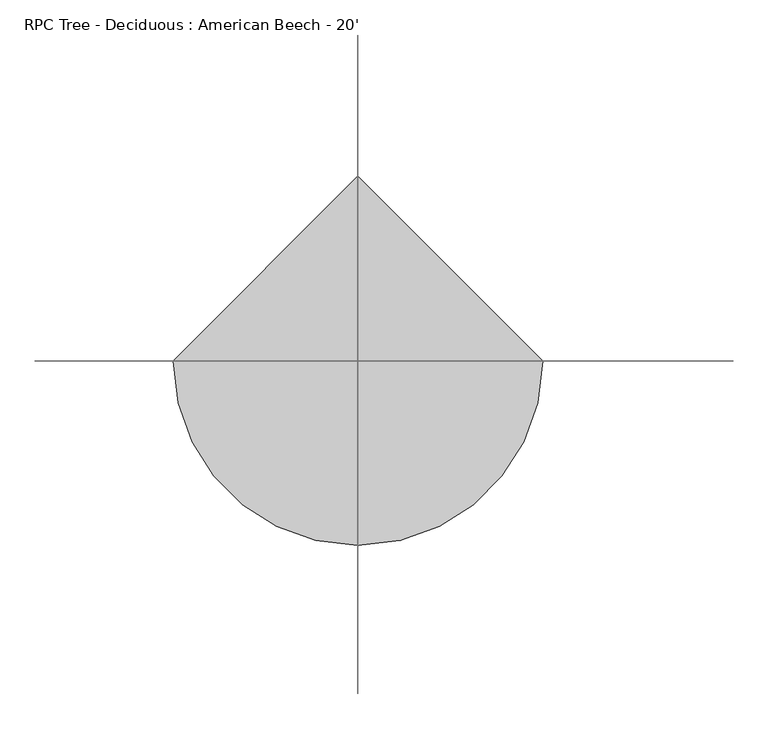
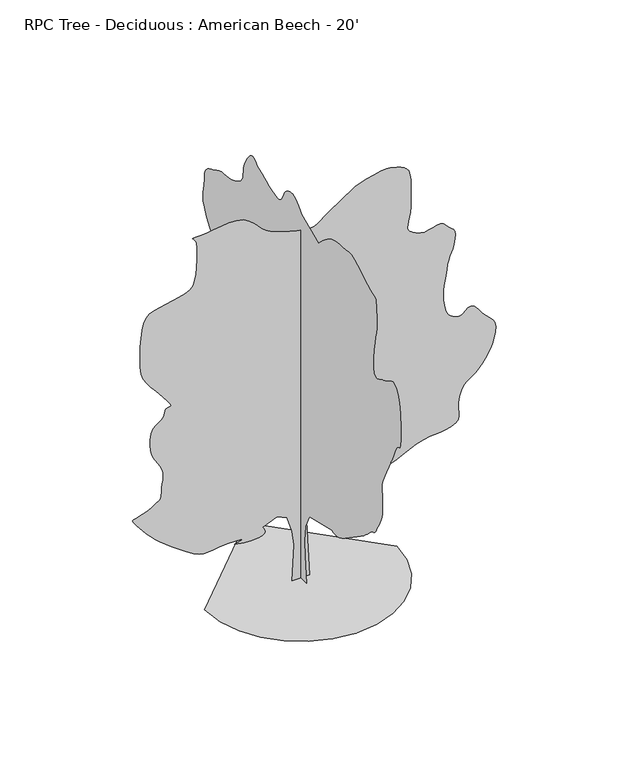
"""IFC4 building model written with IfcOpenShell, lengths in millimetres: geographic element geometry, RPC Tree - Deciduous : American Beech - 20'."""

from ifc_helpers import new_model, si_unit, origin, place, context, project, spatial, triangles, source, transform, mapped, element, save


def rpc_tree_deciduous_american_beech_20_b3c041c8(model_context):
    return source(origin(), model_context, "Body", "Tessellation", [
        triangles([(0.0009889, 136.856581, 0.0), (0.0009889, -149.8547884, 0.0), (0.0009889, -111.6264895, 420.510052), (0.0009889, -102.0697236, 659.4353302), (0.0009889, -121.1832463, 898.3606447), (0.0009889, -235.8678885, 1118.172373), (0.0009889, -818.8458761, 1261.5275036), (0.0009889, -849.9431059, 1249.7139805), (0.0009889, -883.2933231, 1240.7427258), (0.0009889, -921.1596891, 1237.4533916), (0.0009889, -965.7976622, 1242.6934788), (0.0009889, -1019.4603024, 1259.3000233), (0.0009889, -1084.4081549, 1290.1152935), (0.0009889, -1162.8992941, 1337.984174), (0.0009889, -1478.2811337, 1557.7959023), (0.0009889, -1522.8632961, 1589.1420994), (0.0009889, -1566.942437, 1618.9819931), (0.0009889, -1611.1893002, 1649.3249084), (0.0009889, -1656.2718681, 1682.1772636), (0.0009889, -1702.8579781, 1719.5406807), (0.0009889, -1751.6183739, 1763.4243393), (0.0009889, -1803.2210381, 1815.834803), (0.0009889, -1847.9404015, 1858.0191467), (0.0009889, -1878.9512993, 1877.1351311), (0.0009889, -1901.2702858, 1884.0440117), (0.0009889, -1919.9112991, 1889.616782), (0.0009889, -1939.8884228, 1904.7196392), (0.0009889, -1966.2180656, 1940.2161644), (0.0009889, -2003.916782, 2006.9774963), (0.0009889, -2044.9607883, 2083.2080177), (0.0009889, -2078.313549, 2145.2324295), (0.0009889, -2104.4754696, 2201.0692829), (0.0009889, -2123.9521877, 2258.7475937), (0.0009889, -2137.244109, 2326.2862038), (0.0009889, -2144.8488773, 2411.7141289), (0.0009889, -2147.2746014, 2523.0550072), (0.0009889, -2142.5373905, 2624.8889076), (0.0009889, -2132.7863869, 2688.2873634), (0.0009889, -2124.7040314, 2730.9338882), (0.0009889, -2124.9835201, 2770.583503), (0.0009889, -2140.3072941, 2824.9394875), (0.0009889, -2177.3659332, 2911.7568626), (0.0009889, -2242.84464, 3048.6883301), (0.0009889, -2308.7119858, 3181.9621719), (0.0009889, -2348.5011269, 3259.3812836), (0.0009889, -2371.2366577, 3301.215358), (0.0009889, -2385.9484051, 3327.6567673), (0.0009889, -2401.6632889, 3358.9496246), (0.0009889, -2427.4088104, 3415.3121727), (0.0009889, -2472.2118896, 3516.9885246), (0.0009889, -2522.8114174, 3609.6476944), (0.0009889, -2561.0332123, 3645.1568642), (0.0009889, -2588.5669968, 3652.9040657), (0.0009889, -2607.0580193, 3662.3273277), (0.0009889, -2618.2087921, 3702.8402618), (0.0009889, -2623.669796, 3803.856189), (0.0009889, -2625.117382, 3994.8390083), (0.0009889, -2615.3639076, 4210.713913), (0.0009889, -2589.2271309, 4371.4450905), (0.0009889, -2551.406765, 4483.8402649), (0.0009889, -2506.5400269, 4554.7824463), (0.0009889, -2459.3391289, 4591.1043571), (0.0009889, -2414.4802391, 4599.6895889), (0.0009889, -2376.641851, 4587.3705734), (0.0009889, -2343.8477772, 4566.9491455), (0.0009889, -2310.8862717, 4546.8576393), (0.0009889, -2277.5893215, 4527.4521378), (0.0009889, -2243.7921112, 4509.0116936), (0.0009889, -2209.3243023, 4491.9426773), (0.0009889, -2174.0232594, 4476.5250137), (0.0009889, -2137.7164639, 4463.1392029), (0.0009889, -2096.4236355, 4443.6572525), (0.0009889, -2049.6139927, 4418.4858238), (0.0009889, -2002.3013283, 4400.6805153), (0.0009889, -1959.504958, 4403.2713455), (0.0009889, -1926.2359131, 4439.313913), (0.0009889, -1907.5110386, 4521.8132378), (0.0009889, -1908.3467434, 4663.8246277), (0.0009889, -1923.6450829, 4819.4253044), (0.0009889, -1942.954224, 4940.7356323), (0.0009889, -1963.266647, 5037.9669067), (0.0009889, -1981.572361, 5121.3298416), (0.0009889, -1994.8642822, 5201.0354416), (0.0009889, -2000.1296585, 5287.2429703), (0.0009889, -1994.3614059, 5390.1634323), (0.0009889, -1986.3653824, 5488.9190323), (0.0009889, -1983.048143, 5559.911792), (0.0009889, -1978.5625156, 5609.3407516), (0.0009889, -1967.0562412, 5643.3764648), (0.0009889, -1942.6748806, 5668.2429703), (0.0009889, -1899.5709709, 5690.0869858), (0.0009889, -1831.8926891, 5715.1063889), (0.0009889, -1748.4408062, 5751.9616974), (0.0009889, -1662.820015, 5800.5261749), (0.0009889, -1576.3582867, 5853.7903656), (0.0009889, -1490.4020508, 5904.6919098), (0.0009889, -1406.2848015, 5946.2207703), (0.0009889, -1325.3426491, 5971.3924896), (0.0009889, -1248.913884, 5973.1447083), (0.0009889, -1174.2403896, 5963.3406555), (0.0009889, -1098.5636135, 5956.711409), (0.0009889, -1023.222064, 5950.5641098), (0.0009889, -949.5518515, 5942.2588028), (0.0009889, -878.8914843, 5929.1264648), (0.0009889, -812.5771454, 5908.4509827), (0.0009889, -751.9472706, 5877.5644958), (0.0009889, -697.9494038, 5841.2678741), (0.0009889, -649.9687569, 5805.9618896), (0.0009889, -607.0045916, 5771.4942261), (0.0009889, -568.0511189, 5737.7119858), (0.0009889, -532.1075644, 5704.4128555), (0.0009889, -498.1706097, 5671.4433563), (0.0009889, -465.2369368, 5638.6523346), (0.0009889, -16.056217, 5829.7871796), (0.0009889, 22.8405617, 5872.4339951), (0.0009889, 61.6537222, 5913.023378), (0.0009889, 100.2998553, 5949.3961578), (0.0009889, 138.6950317, 5979.5204819), (0.0009889, 176.7559443, 6001.2883392), (0.0009889, 214.3990318, 6012.5911377), (0.0009889, 251.5404602, 6011.3720261), (0.0009889, 287.2056524, 6002.4312927), (0.0009889, 320.3628219, 5991.305809), (0.0009889, 350.8454089, 5977.0055191), (0.0009889, 378.4856913, 5958.5397858), (0.0009889, 403.1160919, 5934.892392), (0.0009889, 424.5689612, 5905.047702), (0.0009889, 442.6817001, 5868.0144974), (0.0009889, 459.9562634, 5826.9425858), (0.0009889, 480.2407084, 5787.547316), (0.0009889, 505.3740581, 5752.6727005), (0.0009889, 537.1926464, 5725.138916), (0.0009889, 577.5380399, 5707.7911377), (0.0009889, 628.2491524, 5703.5239563), (0.0009889, 691.1650068, 5715.1063889), (0.0009889, 759.6790661, 5736.9754028), (0.0009889, 826.1890326, 5761.3593796), (0.0009889, 891.0251186, 5787.8263687), (0.0009889, 954.5251671, 5815.9694183), (0.0009889, 1017.0218611, 5845.3577408), (0.0009889, 1078.8506453, 5875.5832214), (0.0009889, 1140.3440575, 5906.2412338), (0.0009889, 1169.0715191, 5932.3524307), (0.0009889, 1198.1316639, 5955.3649796), (0.0009889, 1227.8624073, 5972.2052307), (0.0009889, 1258.5938164, 5979.7489563), (0.0009889, 1290.6664227, 5974.9230881), (0.0009889, 1324.4078224, 5954.6539764), (0.0009889, 1360.1557858, 5915.7918137), (0.0009889, 1395.1799561, 5868.217392), (0.0009889, 1426.1908539, 5822.9544571), (0.0009889, 1452.6880737, 5778.8856354), (0.0009889, 1474.1715008, 5734.7912338), (0.0009889, 1490.1379681, 5689.5538788), (0.0009889, 1500.0845993, 5641.9538773), (0.0009889, 1503.510989, 5590.8494385), (0.0009889, 1507.2168674, 5539.3380478), (0.0009889, 1519.1142517, 5491.1793594), (0.0009889, 1540.3740005, 5446.1704788), (0.0009889, 1572.1672634, 5404.1846695), (0.0009889, 1615.6596668, 5365.0428726), (0.0009889, 1672.0274471, 5328.5689362), (0.0009889, 1742.4363762, 5294.5832199), (0.0009889, 1817.5288857, 5269.1836075), (0.0009889, 1887.9378147, 5255.1373718), (0.0009889, 1954.8363476, 5247.4407486), (0.0009889, 2019.3956337, 5241.0911362), (0.0009889, 2082.7839157, 5231.0580276), (0.0009889, 2146.1721977, 5212.3382401), (0.0009889, 2210.7313385, 5179.9024292), (0.0009889, 2276.3498623, 5145.3580261), (0.0009889, 2340.1267834, 5118.8404587), (0.0009889, 2399.0573433, 5093.1356323), (0.0009889, 2450.1315514, 5061.106192), (0.0009889, 2490.3372368, 5015.5136261), (0.0009889, 2516.667025, 4949.193837), (0.0009889, 2526.1132507, 4854.9597633), (0.0009889, 2532.46577, 4758.008123), (0.0009889, 2546.5044479, 4681.9348595), (0.0009889, 2560.7285797, 4617.2411339), (0.0009889, 2567.5865913, 4554.3760757), (0.0009889, 2559.5600464, 4483.8402649), (0.0009889, 2529.1232414, 4396.0578323), (0.0009889, 2468.7702393, 4281.5543564), (0.0009889, 2394.0992157, 4166.6192207), (0.0009889, 2326.6139454, 4078.2525215), (0.0009889, 2267.6553349, 4007.9707649), (0.0009889, 2218.5596397, 3947.1884285), (0.0009889, 2180.6679119, 3887.4223091), (0.0009889, 2155.3111748, 3820.1377533), (0.0009889, 2143.8328056, 3736.8001076), (0.0009889, 2149.4334812, 3646.0204742), (0.0009889, 2171.0820145, 3561.7686401), (0.0009889, 2203.7667927, 3483.5112076), (0.0009889, 2242.4687908, 3410.790937), (0.0009889, 2282.1714546, 3343.1000107), (0.0009889, 2317.8662235, 3279.9047401), (0.0009889, 2344.5311657, 3220.7225967), (0.0009889, 2370.3577869, 3180.6921913), (0.0009889, 2402.5396889, 3164.8934464), (0.0009889, 2434.5538685, 3157.7813805), (0.0009889, 2459.8827003, 3143.8113029), (0.0009889, 2472.0037628, 3107.4638123), (0.0009889, 2464.3963783, 3033.1433487), (0.0009889, 2430.5432121, 2905.3305107), (0.0009889, 2383.9011463, 2761.3378464), (0.0009889, 2340.6017544, 2643.9136185), (0.0009889, 2298.1379219, 2545.7425758), (0.0009889, 2254.0028252, 2459.415287), (0.0009889, 2205.6894951, 2377.6095245), (0.0009889, 2150.6857304, 2292.9614937), (0.0009889, 2086.4897942, 2198.1177189), (0.0009889, 2022.098085, 2102.5196297), (0.0009889, 1968.0723129, 2019.6267242), (0.0009889, 1924.2446102, 1948.102747), (0.0009889, 1890.4447838, 1886.6067913), (0.0009889, 1866.5103436, 1833.8078339), (0.0009889, 1852.2735672, 1788.3620613), (0.0009889, 1847.564407, 1748.9361248), (0.0009889, 1851.5776794, 1721.8800728), (0.0009889, 1860.940044, 1709.2029396), (0.0009889, 1871.6386642, 1703.0459026), (0.0009889, 1879.6624477, 1695.5504299), (0.0009889, 1881.0010288, 1678.8600243), (0.0009889, 1871.6386642, 1645.1186245), (0.0009889, 1847.564407, 1586.4675533), (0.0009889, 1827.5314728, 1524.5828133), (0.0009889, 1825.3850922, 1482.2587978), (0.0009889, 1829.7590984, 1453.3104195), (0.0009889, 1829.2865982, 1431.547649), (0.0009889, 1812.5961926, 1410.7907764), (0.0009889, 1768.3214241, 1384.8497726), (0.0009889, 1685.0958355, 1347.5421661), (0.0009889, 1594.399918, 1309.4244347), (0.0009889, 1528.281134, 1282.5080544), (0.0009889, 1476.2059696, 1262.7823689), (0.0009889, 1427.6412014, 1246.2316349), (0.0009889, 1372.05317, 1228.8453415), (0.0009889, 1298.9138844, 1206.6102161), (0.0009889, 1197.6871416, 1175.5154572), (0.0009889, 1096.069289, 1145.7009253), (0.0009889, 1022.5387482, 1127.7557997), (0.0009889, 967.7331545, 1118.3400227), (0.0009889, 922.2874546, 1114.10329), (0.0009889, 876.8442255, 1111.7080873), (0.0009889, 822.0360884, 1107.806654), (0.0009889, 748.5055475, 1099.0588594), (0.0009889, 662.4935011, 1085.0990284), (0.0009889, 576.4788749, 1068.1292793), (0.0009889, 490.4667558, 1048.6551046), (0.0009889, 404.4521296, 1027.1717503), (0.0009889, 318.4400468, 1004.1847086), (0.0009889, 232.4266923, 980.1943851), (0.0009889, 146.4133378, 955.7037289), (136.1842383, 0.0003154, 0.014068), (-131.4120823, 0.0003154, 0.014068), (-102.7410489, 0.0002819, 563.8778998), (-131.4120823, 0.0002692, 793.2477293), (-207.8684348, 0.0002549, 1032.1729712), (-360.7819027, 0.0002501, 1108.6296415), (-580.5936673, 0.0002549, 1013.0594576), (-562.704425, 0.0002564, 988.5662579), (-548.0765751, 0.000258, 964.5784779), (-539.9688578, 0.0002596, 941.5914362), (-541.6401947, 0.0002612, 920.1080818), (-556.3518694, 0.0002628, 900.6313637), (-587.3627672, 0.0002628, 883.6641581), (-637.9342443, 0.0002644, 869.704327), (-697.421093, 0.0002644, 860.4815615), (-753.4001616, 0.0002644, 856.775683), (-806.4506298, 0.0002644, 857.667271), (-857.1617786, 0.0002644, 862.2366869), (-906.117802, 0.0002644, 869.5645826), (-953.9028214, 0.0002628, 878.731465), (-1001.1011759, 0.0002628, 888.8178406), (-953.2881786, 0.0002628, 900.9945683), (-913.501581, 0.0002612, 912.5008427), (-889.7601522, 0.0002612, 922.6710068), (-890.0954515, 0.0002596, 930.8345346), (-922.5287189, 0.0002596, 936.3235165), (-995.0838833, 0.0002596, 938.4698244), (-1115.7848007, 0.0002596, 936.6028599), (-1242.9524746, 0.0002612, 927.8271601), (-1337.3542706, 0.0002612, 914.3677345), (-1410.6891838, 0.0002612, 903.2500992), (-1474.6617325, 0.0002612, 901.4949738), (-1540.9759987, 0.0002612, 916.12286), (-1621.3340298, 0.0002596, 954.1568756), (-1727.4351116, 0.0002549, 1022.614979), (-1845.0726986, 0.0002501, 1105.8432564), (-1952.34711, 0.0002453, 1184.0549795), (-2049.4209812, 0.0002405, 1258.0858532), (-2136.46436, 0.0002373, 1328.7765965), (-2213.6472942, 0.0002326, 1396.9554291), (-2281.1300938, 0.0002278, 1463.4653229), (-2339.0852772, 0.0002246, 1529.1396572), (-2391.8031349, 0.0002214, 1592.6651402), (-2441.3431343, 0.0002166, 1651.1791557), (-2484.5309052, 0.0002134, 1703.170459), (-2518.1884438, 0.0002118, 1747.1378334), (-2539.1409439, 0.0002103, 1781.577737), (-2544.218541, 0.0002087, 1804.9838665), (-2530.2254997, 0.0002071, 1815.8500637), (-2498.742247, 0.0002071, 1822.7308937), (-2456.2227493, 0.0002071, 1834.628278), (-2406.8475655, 0.0002055, 1850.7065117), (-2354.8003063, 0.0002039, 1870.1272739), (-2304.2568798, 0.0002023, 1892.0551506), (-2259.3978447, 0.0002023, 1915.6542915), (-2224.401725, 0.0002007, 1940.091608), (-2196.9849392, 0.0001991, 1958.6464348), (-2172.4078056, 0.0001991, 1969.1798035), (-2151.1759621, 0.0001975, 1977.7066086), (-2133.7896687, 0.0001975, 1990.2439247), (-2120.7518017, 0.0001959, 2012.8144947), (-2112.5602959, 0.0001927, 2051.4326317), (-2109.7180275, 0.0001895, 2112.118317), (-2105.7607109, 0.0001864, 2181.0514641), (-2096.7894562, 0.0001816, 2242.2935108), (-2087.1476028, 0.0001784, 2298.6891964), (-2081.1861935, 0.0001752, 2353.0781731), (-2083.2487129, 0.000172, 2408.3028545), (-2097.6809715, 0.0001688, 2467.2028931), (-2128.8315411, 0.0001641, 2532.6259346), (-2168.3971493, 0.0001609, 2596.7202782), (-2204.2849297, 0.0001577, 2653.2860115), (-2235.1560104, 0.0001545, 2707.6675758), (-2259.6771881, 0.0001513, 2765.2239464), (-2276.5047947, 0.0001465, 2831.3149704), (-2284.3076614, 0.0001418, 2911.2740433), (-2281.7447365, 0.000137, 3010.4865921), (-2264.5514545, 0.0001306, 3102.7902603), (-2233.1494469, 0.0001274, 3164.9948936), (-2193.2231049, 0.0001242, 3206.8286774), (-2150.4520237, 0.0001226, 3237.9439293), (-2110.525827, 0.0001211, 3268.0682533), (-2079.123674, 0.0001179, 3306.8795471), (-2061.9330082, 0.0001147, 3364.0804161), (-2043.9599773, 0.0001131, 3413.0262657), (-2014.1200836, 0.0001115, 3431.3396828), (-1983.9422745, 0.0001115, 3435.3019409), (-1964.9684326, 0.0001099, 3441.0931572), (-1968.7301216, 0.0001099, 3464.9437363), (-2006.7641373, 0.0001051, 3523.0843735), (-2090.6020432, 9.88e-05, 3631.6948952), (-2191.4121689, 9.24e-05, 3753.7165169), (-2273.3296978, 8.6e-05, 3849.6778107), (-2337.3582024, 8.12e-05, 3932.1009773), (-2384.5031445, 7.65e-05, 4013.5079269), (-2415.7654804, 7.17e-05, 4106.47202), (-2432.1484921, 6.37e-05, 4223.4898773), (-2434.6554611, 5.42e-05, 4377.1345688), (-2429.5297565, 4.46e-05, 4541.5998207), (-2420.5585018, 3.66e-05, 4683.0016548), (-2405.0643894, 3.03e-05, 4801.6705742), (-2380.3781055, 2.39e-05, 4897.9365005), (-2343.822488, 1.91e-05, 4972.1558075), (-2292.720084, 1.59e-05, 5024.6066757), (-2224.401725, 1.43e-05, 5055.6710587), (-2138.4149677, 1.27e-05, 5074.7972168), (-2040.8941761, 1.27e-05, 5092.7292618), (-1939.0274288, 1.11e-05, 5111.8554199), (-1840.0028046, 9.6e-06, 5134.487178), (-1751.0088181, 8e-06, 5162.9604401), (-1679.2334026, 6.4e-06, 5199.612854), (-1631.8649277, 3.2e-06, 5246.8314835), (-1604.1128426, -1.6e-06, 5316.4272354), (-1585.3905842, -6.4e-06, 5411.6010773), (-1574.1890877, -1.27e-05, 5521.6594757), (-1569.0075726, -2.07e-05, 5635.9088974), (-1568.336974, -2.71e-05, 5743.6302292), (-1570.6788368, -3.19e-05, 5834.1305191), (-1574.524387, -3.5e-05, 5896.690654), (-1585.918895, -3.82e-05, 5936.1626633), (-1606.0102558, -3.98e-05, 5965.4230865), (-1625.9315689, -4.14e-05, 5985.9718323), (-1636.825526, -4.14e-05, 5999.3576431), (-1629.8329296, -4.3e-05, 6007.0286865), (-1596.0890591, -4.3e-05, 6010.559285), (-1526.7393677, -4.3e-05, 6011.3976059), (-1428.7715103, -4.3e-05, 6017.8233765), (-1318.7690678, -4.46e-05, 6032.4538788), (-1202.2439129, -4.46e-05, 6048.2529144), (-1084.7180197, -4.46e-05, 6058.184285), (-971.7057318, -4.46e-05, 6055.263533), (-868.7238636, -4.46e-05, 6032.4538788), (-781.2893749, -4.14e-05, 5982.7208679), (-714.8937183, -3.66e-05, 5922.6245361), (-665.5465851, -3.34e-05, 5871.6974121), (-624.5610781, -3.19e-05, 5827.4756927), (-583.2403444, -2.87e-05, 5787.445578), (-532.8924365, -2.71e-05, 5749.0915237), (-464.8228995, -2.39e-05, 5709.8735687), (-370.3373878, -2.23e-05, 5667.3284912), (-260.8632923, -1.91e-05, 5627.3745346), (-155.7366604, -1.75e-05, 5596.9449966), (-58.1322665, -1.59e-05, 5575.0504028), (28.7726351, -1.59e-05, 5560.6739548), (101.8020074, -1.59e-05, 5552.8255966), (157.7788323, -1.43e-05, 5550.4629501), (193.5270681, -1.59e-05, 5552.6477005), (219.2725352, -1.59e-05, 5560.6233765), (247.3583572, -1.59e-05, 5575.4311935), (277.7847885, -1.75e-05, 5595.7770447), (310.5508118, -1.91e-05, 5620.2877579), (345.6587342, -2.07e-05, 5647.6692261), (383.1059761, -2.23e-05, 5676.5232788), (422.8950809, -2.39e-05, 5705.555809), (805.1781057, -3.98e-05, 5963.5947098), (830.3647951, -3.98e-05, 5972.992392), (896.679134, -4.14e-05, 5996.5892075), (990.2426817, -4.3e-05, 6027.5518524), (1097.1817938, -4.62e-05, 6058.9970261), (1203.6180296, -4.62e-05, 6084.1175858), (1295.67789, -4.78e-05, 6096.0046509), (1359.4853325, -4.78e-05, 6087.8516602), (1407.4912685, -4.62e-05, 6070.6556168), (1459.1777939, -4.46e-05, 6056.8128571), (1511.1996185, -4.46e-05, 6041.4457718), (1560.2089817, -4.3e-05, 6019.7540726), (1602.8682964, -4.14e-05, 5986.835733), (1635.8299473, -3.82e-05, 5937.8898834), (1655.7537312, -3.34e-05, 5868.0394958), (1665.3091072, -2.87e-05, 5789.7820633), (1670.1859898, -2.55e-05, 5717.2399796), (1671.5500053, -2.07e-05, 5647.8471222), (1670.5746288, -1.75e-05, 5579.1396881), (1668.4282482, -1.27e-05, 5508.6038773), (1666.2844837, -8e-06, 5433.699147), (1665.3091072, -3.2e-06, 5351.9622757), (1660.2367424, 1.6e-06, 5270.5806152), (1648.1463467, 6.4e-06, 5198.4187408), (1633.7114719, 9.6e-06, 5135.2743393), (1621.6186054, 1.27e-05, 5081.0200928), (1616.5487114, 1.59e-05, 5035.4269455), (1623.1807194, 1.75e-05, 4998.368161), (1646.1955936, 1.91e-05, 4969.6664246), (1678.4054008, 2.07e-05, 4946.8317719), (1709.6119263, 2.23e-05, 4927.324823), (1739.9826015, 2.23e-05, 4910.992099), (1769.6829689, 2.39e-05, 4897.6824463), (1798.8852562, 2.39e-05, 4887.1923889), (1827.7499187, 2.55e-05, 4879.3946091), (1856.4493298, 2.55e-05, 4874.0862122), (1893.0609032, 2.55e-05, 4877.1087021), (1942.2125542, 2.39e-05, 4889.9864044), (1998.8851124, 2.39e-05, 4906.1918106), (2058.0671104, 2.23e-05, 4919.2474091), (2114.7396687, 2.23e-05, 4922.5745316), (2163.8911743, 2.39e-05, 4909.6968292), (2200.5028931, 2.55e-05, 4874.0862122), (2230.4850746, 2.71e-05, 4834.208123), (2261.3003448, 2.87e-05, 4807.6649757), (2290.2766285, 3.03e-05, 4786.8368866), (2314.7419956, 3.19e-05, 4763.9769447), (2332.0165226, 3.34e-05, 4731.4396866), (2339.4282795, 3.66e-05, 4681.5031998), (2334.3025749, 4.14e-05, 4606.4970222), (2319.8956055, 4.62e-05, 4526.9440292), (2302.1485783, 4.94e-05, 4463.951944), (2282.3925167, 5.26e-05, 4410.6627548), (2261.9683273, 5.57e-05, 4360.1928703), (2242.2147366, 5.89e-05, 4305.7098587), (2224.4652386, 6.37e-05, 4240.3809975), (2210.0608852, 6.85e-05, 4157.3229858), (2196.9087811, 7.33e-05, 4068.4481781), (2183.2562714, 7.8e-05, 3988.0827347), (2170.9397266, 8.28e-05, 3913.0762665), (2161.8007496, 8.76e-05, 3840.2289688), (2157.6783268, 9.08e-05, 3766.3913246), (2160.4088287, 9.56e-05, 3688.3876556), (2171.831242, 0.0001003, 3603.0181572), (2189.9719952, 0.0001051, 3525.0147789), (2211.6203831, 0.0001083, 3468.2711494), (2236.7791672, 0.0001115, 3428.240744), (2265.4506729, 0.0001131, 3400.402327), (2297.6324295, 0.0001147, 3380.2602425), (2333.3271984, 0.0001147, 3363.2673843), (2372.5296021, 0.0001163, 3344.9795471), (2412.5675652, 0.0001163, 3342.4901642), (2451.7724396, 0.0001147, 3366.0869797), (2491.642971, 0.0001131, 3400.8848557), (2533.6901138, 0.0001115, 3432.0253967), (2579.4227875, 0.0001099, 3444.5728867), (2630.3246223, 0.0001115, 3423.7195084), (2687.906282, 0.0001163, 3354.5298363), (2749.8568611, 0.0001211, 3269.9730789), (2810.1313797, 0.0001242, 3206.9557045), (2864.6905495, 0.0001274, 3156.6637161), (2909.5976921, 0.0001306, 3110.2325386), (2940.7635223, 0.0001338, 3058.7720169), (2954.2254913, 0.000137, 2993.4178665), (2945.9451828, 0.0001434, 2905.3557999), (2924.1520363, 0.0001481, 2810.6139084), (2899.209082, 0.0001529, 2729.079641), (2870.2277115, 0.0001577, 2657.6040619), (2836.3948929, 0.0001609, 2592.9612053), (2796.8723053, 0.0001641, 2531.9858574), (2750.8474983, 0.0001688, 2471.5235596), (2697.4568619, 0.000172, 2408.3842449), (2642.4404526, 0.0001752, 2354.2186558), (2591.9196991, 0.0001784, 2316.7713776), (2545.7425758, 0.00018, 2287.0127289), (2503.7637428, 0.0001816, 2255.9181152), (2465.7858284, 0.0001832, 2214.4575645), (2431.6531734, 0.000188, 2153.606773), (2401.2011078, 0.0001927, 2064.3332977), (2384.7901909, 0.0001991, 1965.7532684), (2385.7654221, 0.0002039, 1881.8849865), (2393.4261463, 0.0002071, 1811.0570423), (2397.0760689, 0.0002118, 1751.5981716), (2386.0143894, 0.000215, 1701.8343487), (2349.5424877, 0.0002166, 1660.0945999), (2276.9594181, 0.0002182, 1624.7096958), (2189.7484623, 0.0002198, 1601.1638947), (2111.7322941, 0.0002214, 1590.8261536), (2035.7202187, 0.0002214, 1585.8401207), (1954.5264828, 0.0002214, 1578.3445026), (1860.9630077, 0.000223, 1560.4858543), (1747.8389534, 0.0002246, 1524.4025917), (1607.9660957, 0.0002294, 1462.2385082), (1455.667543, 0.0002326, 1390.7425816), (1311.7282185, 0.0002357, 1331.4512878), (1178.6524023, 0.0002389, 1283.6941738), (1058.9547667, 0.0002421, 1246.8031116), (955.1372663, 0.0002437, 1220.1102642), (869.7094139, 0.0002437, 1202.9449602), (805.1781057, 0.0002453, 1194.641688), (403.7815673, 0.0002453, 1185.0862392), (107.513205, 0.0002485, 1137.3011473), (88.3996914, 0.0002628, 879.2597757), (-1453.7574852, 0.0, 0.0120292), (-1415.3246567, -333.1060121, 0.0120292), (-1305.8708725, -639.0085974, 0.0120292), (-1134.1566444, -908.9473532, 0.0120292), (-908.9473532, -1134.1566444, 0.0120292), (-639.0085974, -1305.8708725, 0.0120292), (-333.1060121, -1415.3246567, 0.0120292), (6.35e-05, -1453.7574852, 0.0120292), (333.1060121, -1415.3246567, 0.0120292), (639.0085974, -1305.8708725, 0.0120292), (908.9473532, -1134.1566444, 0.0120292), (1134.1566444, -908.9473532, 0.0120292), (1305.8708725, -639.0085974, 0.0120292), (1415.3246567, -333.1060121, 0.0120292), (1453.7574852, 0.0001274, 0.0120292), (-0.0001906, 1453.7574852, 0.0120292)], [[1, 2, 3], [254, 1, 3], [254, 3, 4], [254, 4, 5], [254, 5, 6], [53, 54, 55], [52, 53, 55], [201, 202, 203], [201, 203, 204], [200, 201, 204], [222, 223, 224], [52, 55, 56], [200, 204, 205], [199, 200, 205], [253, 254, 6], [221, 222, 224], [221, 224, 225], [229, 230, 231], [229, 231, 232], [228, 229, 232], [228, 232, 233], [227, 228, 233], [252, 253, 6], [221, 225, 226], [220, 221, 226], [199, 205, 206], [198, 199, 206], [62, 63, 64], [61, 62, 64], [61, 64, 65], [60, 61, 65], [60, 65, 66], [59, 60, 66], [59, 66, 67], [59, 67, 68], [58, 59, 68], [58, 68, 69], [58, 69, 70], [57, 58, 70], [57, 70, 71], [57, 71, 72], [57, 72, 73], [57, 73, 74], [56, 57, 74], [52, 56, 74], [51, 52, 74], [50, 51, 74], [50, 74, 75], [49, 50, 75], [48, 49, 75], [47, 48, 75], [46, 47, 75], [45, 46, 75], [44, 45, 75], [43, 44, 75], [42, 43, 75], [42, 75, 76], [41, 42, 76], [227, 233, 234], [226, 227, 234], [220, 226, 234], [219, 220, 234], [219, 234, 235], [219, 235, 236], [219, 236, 237], [218, 219, 237], [218, 237, 238], [218, 238, 239], [218, 239, 240], [217, 218, 240], [217, 240, 241], [217, 241, 242], [217, 242, 243], [217, 243, 244], [217, 244, 245], [217, 245, 246], [216, 217, 246], [216, 246, 247], [215, 216, 247], [215, 247, 248], [251, 252, 6], [88, 89, 90], [88, 90, 91], [87, 88, 91], [87, 91, 92], [86, 87, 92], [86, 92, 93], [85, 86, 93], [84, 85, 93], [84, 93, 94], [83, 84, 94], [82, 83, 94], [81, 82, 94], [81, 94, 95], [80, 81, 95], [80, 95, 96], [80, 96, 97], [80, 97, 98], [80, 98, 99], [80, 99, 100], [80, 100, 101], [80, 101, 102], [80, 102, 103], [80, 103, 104], [80, 104, 105], [80, 105, 106], [80, 106, 107], [80, 107, 108], [80, 108, 109], [80, 109, 110], [80, 110, 111], [80, 111, 112], [79, 80, 112], [79, 112, 113], [78, 79, 113], [77, 78, 113], [76, 77, 113], [41, 76, 113], [40, 41, 113], [40, 113, 114], [39, 40, 114], [198, 206, 207], [197, 198, 207], [196, 197, 207], [196, 207, 208], [195, 196, 208], [195, 208, 209], [195, 209, 210], [195, 210, 211], [194, 195, 211], [194, 211, 212], [194, 212, 213], [193, 194, 213], [193, 213, 214], [214, 215, 248], [193, 214, 248], [193, 248, 249], [192, 193, 249], [192, 249, 250], [192, 250, 251], [192, 251, 6], [192, 6, 7], [191, 192, 7], [190, 191, 7], [189, 190, 7], [38, 39, 114], [37, 38, 114], [36, 37, 114], [35, 36, 114], [34, 35, 114], [33, 34, 114], [32, 33, 114], [31, 32, 114], [30, 31, 114], [29, 30, 114], [28, 29, 114], [27, 28, 114], [26, 27, 114], [25, 26, 114], [24, 25, 114], [23, 24, 114], [22, 23, 114], [21, 22, 114], [20, 21, 114], [19, 20, 114], [18, 19, 114], [17, 18, 114], [16, 17, 114], [15, 16, 114], [14, 15, 114], [13, 14, 114], [12, 13, 114], [11, 12, 114], [10, 11, 114], [9, 10, 114], [8, 9, 114], [7, 8, 114], [189, 7, 114], [188, 189, 114], [188, 114, 115], [188, 115, 116], [188, 116, 117], [188, 117, 118], [188, 118, 119], [188, 119, 120], [188, 120, 121], [146, 147, 148], [145, 146, 148], [144, 145, 148], [144, 148, 149], [143, 144, 149], [143, 149, 150], [142, 143, 150], [142, 150, 151], [142, 151, 152], [141, 142, 152], [141, 152, 153], [141, 153, 154], [141, 154, 155], [141, 155, 156], [140, 141, 156], [140, 156, 157], [139, 140, 157], [138, 139, 157], [138, 157, 158], [137, 138, 158], [137, 158, 159], [136, 137, 159], [135, 136, 159], [135, 159, 160], [134, 135, 160], [134, 160, 161], [174, 175, 176], [173, 174, 176], [173, 176, 177], [172, 173, 177], [171, 172, 177], [171, 177, 178], [170, 171, 178], [170, 178, 179], [169, 170, 179], [168, 169, 179], [167, 168, 179], [166, 167, 179], [165, 166, 179], [165, 179, 180], [165, 180, 181], [165, 181, 182], [165, 182, 183], [165, 183, 184], [165, 184, 185], [165, 185, 186], [165, 186, 187], [164, 165, 187], [164, 187, 188], [163, 164, 188], [162, 163, 188], [161, 162, 188], [134, 161, 188], [133, 134, 188], [132, 133, 188], [125, 126, 127], [124, 125, 127], [124, 127, 128], [123, 124, 128], [122, 123, 128], [121, 122, 128], [121, 128, 129], [121, 129, 130], [121, 130, 131], [188, 121, 131], [132, 188, 131], [274, 275, 276], [531, 255, 256], [531, 256, 257], [531, 257, 258], [531, 258, 259], [530, 531, 259], [376, 377, 378], [376, 378, 379], [375, 376, 379], [273, 274, 276], [273, 276, 277], [375, 379, 380], [374, 375, 380], [273, 277, 278], [272, 273, 278], [301, 302, 303], [301, 303, 304], [300, 301, 304], [300, 304, 305], [299, 300, 305], [299, 305, 306], [298, 299, 306], [298, 306, 307], [297, 298, 307], [297, 307, 308], [271, 272, 278], [296, 297, 308], [296, 308, 309], [373, 374, 380], [373, 380, 381], [372, 373, 381], [295, 296, 309], [295, 309, 310], [294, 295, 310], [294, 310, 311], [294, 311, 312], [294, 312, 313], [293, 294, 313], [293, 313, 314], [292, 293, 314], [271, 278, 279], [291, 292, 314], [530, 259, 260], [372, 381, 382], [371, 372, 382], [291, 314, 315], [290, 291, 315], [371, 382, 383], [370, 371, 383], [370, 383, 384], [369, 370, 384], [369, 384, 385], [369, 385, 386], [369, 386, 387], [369, 387, 388], [369, 388, 389], [369, 389, 390], [368, 369, 390], [368, 390, 391], [367, 368, 391], [367, 391, 392], [367, 392, 393], [366, 367, 393], [366, 393, 394], [270, 271, 279], [366, 394, 395], [338, 339, 340], [338, 340, 341], [289, 290, 315], [483, 484, 485], [483, 485, 486], [482, 483, 486], [481, 482, 486], [481, 486, 487], [480, 481, 487], [288, 289, 315], [287, 288, 315], [286, 287, 315], [285, 286, 315], [284, 285, 315], [283, 284, 315], [282, 283, 315], [282, 315, 316], [281, 282, 316], [281, 316, 317], [281, 317, 318], [281, 318, 319], [281, 319, 320], [280, 281, 320], [280, 320, 321], [279, 280, 321], [279, 321, 322], [480, 487, 488], [264, 265, 266], [263, 264, 266], [263, 266, 267], [262, 263, 267], [262, 267, 268], [261, 262, 268], [261, 268, 269], [261, 269, 270], [261, 270, 279], [261, 279, 322], [260, 261, 322], [530, 260, 322], [530, 322, 323], [529, 530, 323], [529, 323, 324], [366, 395, 396], [365, 366, 396], [337, 338, 341], [337, 341, 342], [529, 324, 325], [528, 529, 325], [527, 528, 325], [526, 527, 325], [525, 526, 325], [524, 525, 325], [523, 524, 325], [522, 523, 325], [521, 522, 325], [521, 325, 326], [521, 326, 327], [521, 327, 328], [521, 328, 329], [521, 329, 330], [521, 330, 331], [521, 331, 332], [521, 332, 333], [521, 333, 334], [521, 334, 335], [521, 335, 336], [521, 336, 337], [521, 337, 342], [520, 521, 342], [520, 342, 343], [519, 520, 343], [518, 519, 343], [518, 343, 344], [517, 518, 344], [449, 450, 451], [448, 449, 451], [448, 451, 452], [447, 448, 452], [446, 447, 452], [446, 452, 453], [516, 517, 344], [515, 516, 344], [514, 515, 344], [513, 514, 344], [512, 513, 344], [511, 512, 344], [510, 511, 344], [509, 510, 344], [508, 509, 344], [507, 508, 344], [506, 507, 344], [505, 506, 344], [504, 505, 344], [503, 504, 344], [502, 503, 344], [501, 502, 344], [500, 501, 344], [499, 500, 344], [498, 499, 344], [497, 498, 344], [496, 497, 344], [495, 496, 344], [494, 495, 344], [493, 494, 344], [492, 493, 344], [491, 492, 344], [490, 491, 344], [489, 490, 344], [488, 489, 344], [480, 488, 344], [479, 480, 344], [478, 479, 344], [477, 478, 344], [476, 477, 344], [475, 476, 344], [474, 475, 344], [473, 474, 344], [472, 473, 344], [471, 472, 344], [470, 471, 344], [469, 470, 344], [468, 469, 344], [467, 468, 344], [466, 467, 344], [465, 466, 344], [464, 465, 344], [463, 464, 344], [463, 344, 345], [462, 463, 345], [462, 345, 346], [461, 462, 346], [460, 461, 346], [459, 460, 346], [458, 459, 346], [457, 458, 346], [456, 457, 346], [455, 456, 346], [454, 455, 346], [453, 454, 346], [446, 453, 346], [445, 446, 346], [444, 445, 346], [443, 444, 346], [442, 443, 346], [441, 442, 346], [440, 441, 346], [439, 440, 346], [438, 439, 346], [437, 438, 346], [436, 437, 346], [435, 436, 346], [435, 346, 347], [435, 347, 348], [435, 348, 349], [435, 349, 350], [435, 350, 351], [435, 351, 352], [435, 352, 353], [435, 353, 354], [435, 354, 355], [435, 355, 356], [435, 356, 357], [435, 357, 358], [435, 358, 359], [435, 359, 360], [435, 360, 361], [435, 361, 362], [435, 362, 363], [435, 363, 364], [435, 364, 365], [435, 365, 396], [435, 396, 397], [435, 397, 398], [435, 398, 399], [435, 399, 400], [435, 400, 401], [435, 401, 402], [435, 402, 403], [435, 403, 404], [435, 404, 405], [435, 405, 406], [435, 406, 407], [435, 407, 408], [435, 408, 409], [434, 435, 409], [433, 434, 409], [432, 433, 409], [431, 432, 409], [430, 431, 409], [429, 430, 409], [429, 409, 410], [429, 410, 411], [429, 411, 412], [428, 429, 412], [428, 412, 413], [427, 428, 413], [426, 427, 413], [426, 413, 414], [425, 426, 414], [425, 414, 415], [425, 415, 416], [425, 416, 417], [424, 425, 417], [424, 417, 418], [423, 424, 418], [423, 418, 419], [422, 423, 419], [422, 419, 420], [421, 422, 420], [546, 547, 532], [545, 546, 532], [545, 532, 533], [544, 545, 533], [544, 533, 534], [544, 534, 535], [543, 544, 535], [542, 543, 535], [542, 535, 536], [542, 536, 537], [542, 537, 538], [542, 538, 539], [542, 539, 540], [542, 540, 541]], closed=False),
    ])


if __name__ == "__main__":
    model = new_model("IFC4")
    model_context = context("Model", 3, world=origin())
    ifc_project = project(units=[si_unit("LENGTHUNIT", "METRE", prefix="MILLI")], contexts=[model_context])
    site = spatial("IfcSite", under=ifc_project)
    building = spatial("IfcBuilding", under=site)
    placement = place(None, origin())
    rpc_tree_deciduous_american_beech_20_shape = rpc_tree_deciduous_american_beech_20_b3c041c8(model_context)
    element("IfcGeographicElement", 1, ObjectType="RPC Tree - Deciduous : American Beech - 20'", at=placement, inside=building, context=model_context, shape_type="MappedRepresentation", body=[
        mapped(rpc_tree_deciduous_american_beech_20_shape, transform((0.0, 0.0, 0.0), x_axis=(1.0, 0.0, 0.0), y_axis=(0.0, 1.0, 0.0), z_axis=(0.0, 0.0, 1.0))),
    ])
    save(model, "model.ifc")
